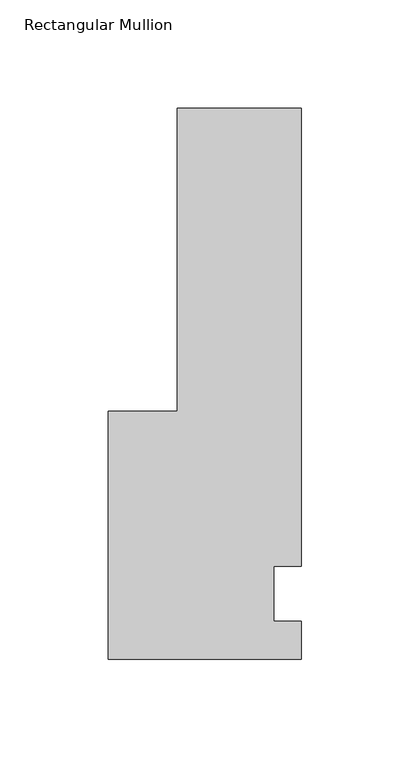
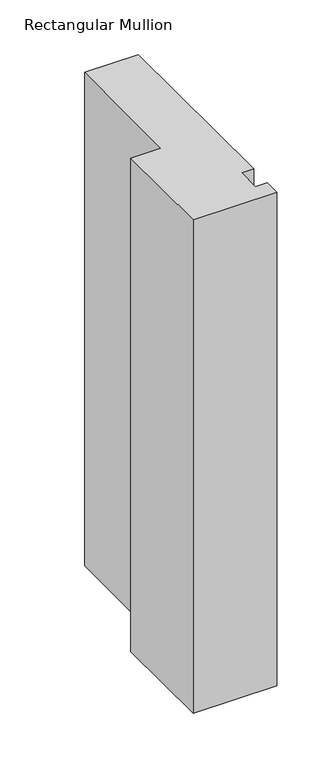
"""IFC4 building model written with IfcOpenShell, lengths in millimetres: member geometry, Rectangular Mullion."""

from ifc_helpers import new_model, si_unit, frame, origin, place, context, project, spatial, polyline, outline, extrude, source, transform, mapped, element, save


def rectangular_mullion_80a0f8e9(model_context):
    return source(origin(), model_context, "Body", "SweptSolid", [
        extrude(outline(polyline([(28.575, 223.8375), (28.575, 12.7), (15.875, 12.7), (15.875, -12.7), (28.575, -12.7), (28.575, -30.1625), (-60.325, -30.1625), (-60.325, 84.1375), (-28.575, 84.1375), (-28.575, 223.8375), (28.575, 223.8375)])), frame((0.0, 0.0, -552.45), z_axis=(0.0, 0.0, 1.0), x_axis=(1.0, 0.0, 0.0)), (0.0, 0.0, 1.0), 552.45),
    ])


if __name__ == "__main__":
    model = new_model("IFC4")
    model_context = context("Model", 3, world=origin())
    ifc_project = project(units=[si_unit("LENGTHUNIT", "METRE", prefix="MILLI")], contexts=[model_context])
    site = spatial("IfcSite", under=ifc_project)
    building = spatial("IfcBuilding", under=site)
    placement = place(None, origin())
    rectangular_mullion_shape = rectangular_mullion_80a0f8e9(model_context)
    element("IfcMember", 1, ObjectType="Rectangular Mullion", at=placement, inside=building, context=model_context, shape_type="MappedRepresentation", body=[
        mapped(rectangular_mullion_shape, transform((0.0, 0.0, 0.0), x_axis=(1.0, 0.0, 0.0), y_axis=(0.0, 1.0, 0.0), z_axis=(0.0, 0.0, 1.0))),
    ])
    save(model, "model.ifc")
